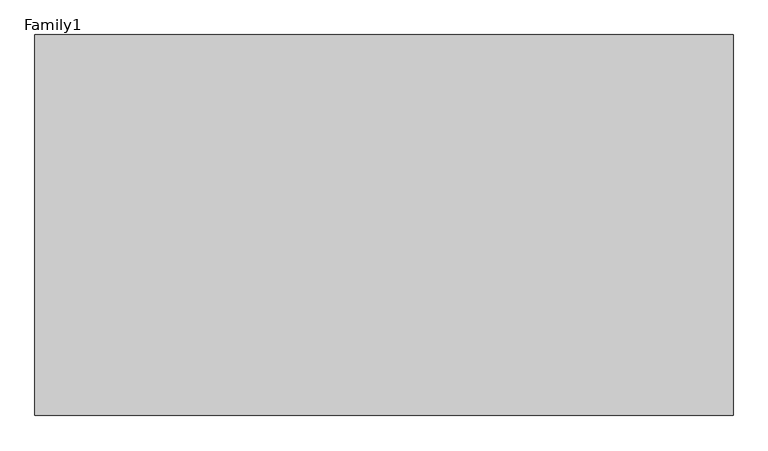
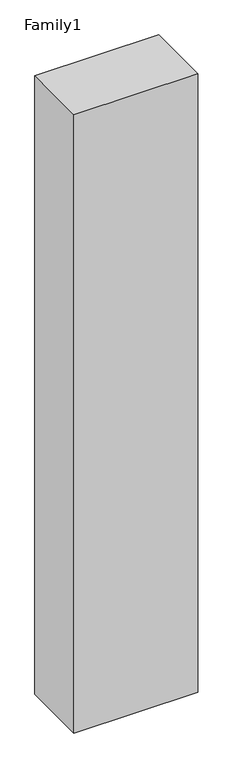
"""IFC4 building model written with IfcOpenShell, lengths in millimetres: proxy geometry, Family1."""

from ifc_helpers import new_model, si_unit, origin, origin_with_axes, place, context, project, spatial, polyline, outline, extrude, source, transform, mapped, element, save


def family1_9aadf6d4(model_context):
    return source(origin(), model_context, "Body", "SweptSolid", [
        extrude(outline(polyline([(5500.0, 0.0), (0.0, 0.0), (0.0, 3000.0), (5500.0, 3000.0), (5500.0, 0.0)])), origin_with_axes(), (0.0, 0.0, 1.0), 29000.0),
    ])


if __name__ == "__main__":
    model = new_model("IFC4")
    model_context = context("Model", 3, world=origin())
    ifc_project = project(units=[si_unit("LENGTHUNIT", "METRE", prefix="MILLI")], contexts=[model_context])
    site = spatial("IfcSite", under=ifc_project)
    building = spatial("IfcBuilding", under=site)
    placement = place(None, origin())
    family1_shape = family1_9aadf6d4(model_context)
    element("IfcBuildingElementProxy", 1, Name="Family1", ObjectType="Family1", at=placement, inside=building, context=model_context, shape_type="MappedRepresentation", body=[
        mapped(family1_shape, transform((0.0, 0.0, 0.0), x_axis=(1.0, 0.0, 0.0), y_axis=(0.0, 1.0, 0.0), z_axis=(0.0, 0.0, 1.0))),
    ])
    save(model, "model.ifc")
